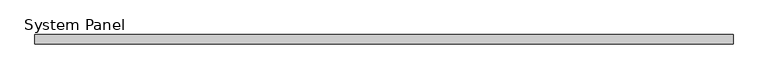
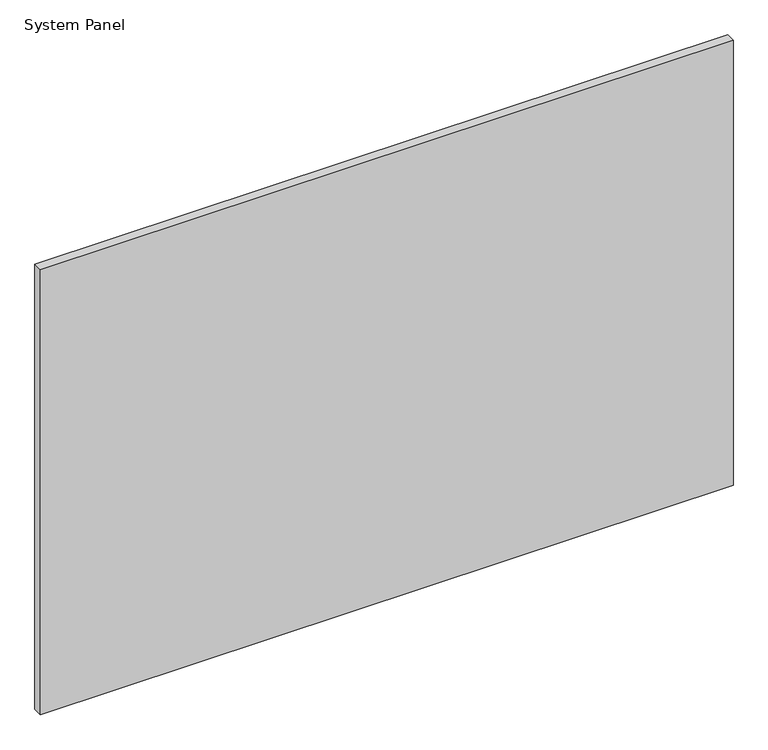
"""IFC4 building model written with IfcOpenShell, lengths in millimetres: plate geometry, System Panel."""

from ifc_helpers import new_model, si_unit, origin, origin_with_axes, place, context, project, spatial, polyline, outline, extrude, source, transform, mapped, element, save


def system_panel_cbad7fd3(model_context):
    return source(origin(), model_context, "Body", "SweptSolid", [
        extrude(outline(polyline([(592.5, -8.0), (-592.5, -8.0), (-592.5, 8.0), (592.5, 8.0), (592.5, -8.0)])), origin_with_axes(), (0.0, 0.0, 1.0), 805.0),
    ])


if __name__ == "__main__":
    model = new_model("IFC4")
    model_context = context("Model", 3, world=origin())
    ifc_project = project(units=[si_unit("LENGTHUNIT", "METRE", prefix="MILLI")], contexts=[model_context])
    site = spatial("IfcSite", under=ifc_project)
    building = spatial("IfcBuilding", under=site)
    placement = place(None, origin())
    system_panel_shape = system_panel_cbad7fd3(model_context)
    element("IfcPlate", 1, ObjectType="System Panel", at=placement, inside=building, context=model_context, shape_type="MappedRepresentation", body=[
        mapped(system_panel_shape, transform((0.0, 0.0, 0.0), x_axis=(1.0, 0.0, 0.0), y_axis=(0.0, 1.0, 0.0), z_axis=(0.0, 0.0, 1.0))),
    ])
    save(model, "model.ifc")
